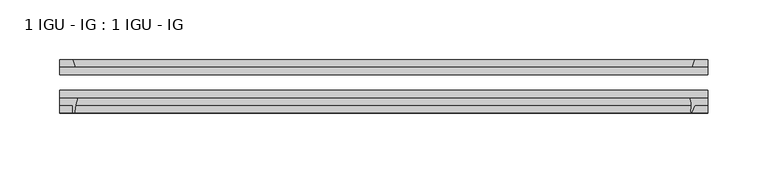
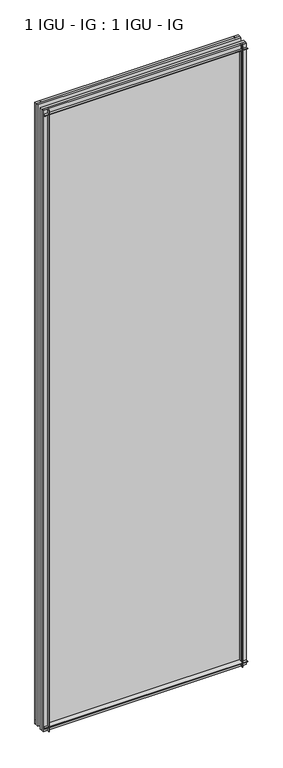
"""IFC4 building model written with IfcOpenShell, lengths in millimetres: plate geometry, 1 IGU - IG : 1 IGU - IG."""

from ifc_helpers import new_model, si_unit, point, frame, frame_2d, origin, place, context, project, spatial, polyline, circle_curve, trimmed, segment, composite_curve, outline, extrude, source, transform, mapped, element, save


def plate_1_igu_ig_1_igu_ig_eb6cffae(model_context):
    return source(origin(), model_context, "Body", "SweptSolid", [
        extrude(outline(polyline([(271.6117304, -31.75), (271.6117304, -38.1), (-271.6117304, -38.1), (-271.6117304, -31.75), (271.6117304, -31.75)])), frame((0.0, 0.0, -11.1125), z_axis=(0.0, 0.0, 1.0), x_axis=(1.0, 0.0, 0.0)), (0.0, 0.0, 1.0), 1755.775),
        extrude(outline(polyline([(-271.6117304, -12.7), (271.6117304, -12.7), (271.6117304, -19.05), (-271.6117304, -19.05), (-271.6117304, -12.7)])), frame((0.0, 0.0, -11.1125), z_axis=(0.0, 0.0, 1.0), x_axis=(1.0, 0.0, 0.0)), (0.0, 0.0, 1.0), 1755.775),
        extrude(outline(polyline([(271.6117304, -12.7), (258.3803519, -12.7), (260.4856289, -6.35), (271.6117304, -6.35), (271.6117304, -12.7)])), frame((0.0, 0.0, -11.1125), z_axis=(0.0, 0.0, 1.0), x_axis=(1.0, 0.0, 0.0)), (0.0, 0.0, 1.0), 1755.775),
        extrude(outline(composite_curve([segment(polyline([(256.3044497, -38.1), (271.6117304, -38.1), (271.6117304, -44.45), (260.4856289, -44.45), (258.0782175, -50.2620054)]), True, "CONTINUOUS"), segment(trimmed(circle_curve(frame_2d((258.0901847, -49.5000993)), 0.762), [point((258.0782175, -50.2620054))], [point((257.339685, -49.3682124))], False, "CARTESIAN"), True, "CONTINUOUS"), segment(trimmed(circle_curve(frame_2d((221.3642085, -43.0461661)), 36.5267461), [point((257.339685, -49.3682124))], [point((257.8307564, -45.1423684))], True, "CARTESIAN"), True, "CONTINUOUS"), segment(trimmed(circle_curve(frame_2d((248.3214542, -44.5957463)), 9.525), [point((257.8307564, -45.1423684))], [point((257.5642335, -42.2942999))], True, "CARTESIAN"), True, "CONTINUOUS"), segment(trimmed(circle_curve(frame_2d((213.0454334, -53.3794536)), 45.8781451), [point((257.5642335, -42.2942999))], [point((256.3044497, -38.1))], True, "CARTESIAN"), True, "CONTINUOUS")], self_intersect=False)), frame((0.0, 0.0, -11.1125), z_axis=(0.0, 0.0, 1.0), x_axis=(1.0, 0.0, 0.0)), (0.0, 0.0, 1.0), 1755.775),
        extrude(outline(composite_curve([segment(polyline([(-271.6117304, -38.1), (-256.3180511, -38.1)]), True, "CONTINUOUS"), segment(trimmed(circle_curve(frame_2d((-213.0590348, -53.3794536)), 45.8781451), [point((-256.3180511, -38.1))], [point((-258.8192876, -50.0925922))], True, "CARTESIAN"), True, "CONTINUOUS"), segment(trimmed(circle_curve(frame_2d((-259.5793295, -50.038)), 0.762), [point((-258.8192876, -50.0925922))], [point((-259.5793295, -50.8))], False, "CARTESIAN"), True, "CONTINUOUS"), segment(polyline([(-259.5793295, -50.8), (-260.4992304, -50.8), (-260.4992304, -44.45), (-271.6117304, -44.45), (-271.6117304, -38.1)]), True, "CONTINUOUS")], self_intersect=False)), frame((0.0, 0.0, -11.1125), z_axis=(0.0, 0.0, 1.0), x_axis=(1.0, 0.0, 0.0)), (0.0, 0.0, 1.0), 1755.775),
        extrude(outline(polyline([(-258.3939533, -12.7), (-271.6117304, -12.7), (-271.6117304, -6.35), (-260.4992304, -6.35), (-258.3939533, -12.7)])), frame((0.0, 0.0, -11.1125), z_axis=(0.0, 0.0, 1.0), x_axis=(1.0, 0.0, 0.0)), (0.0, 0.0, 1.0), 1755.775),
        extrude(outline(polyline([(-12.7, -11.1125), (-12.7, 2.1052771), (-6.35, 0.0), (-6.35, -11.1125), (-12.7, -11.1125)])), frame((-271.6117304, 0.0, 0.0), z_axis=(1.0, 0.0, 0.0), x_axis=(0.0, 1.0, 0.0)), (0.0, 0.0, 1.0), 543.2234607),
        extrude(outline(composite_curve([segment(polyline([(-38.1, 4.1811793), (-38.1, -11.1125), (-44.45, -11.1125), (-44.45, 0.0), (-50.8, 0.0), (-50.8, 0.9199009)]), True, "CONTINUOUS"), segment(trimmed(circle_curve(frame_2d((-50.038, 0.9199009)), 0.762), [point((-50.8, 0.9199009))], [point((-50.0925922, 1.6799428))], False, "CARTESIAN"), True, "CONTINUOUS"), segment(trimmed(circle_curve(frame_2d((-53.3794536, 47.4401956)), 45.8781451), [point((-50.0925922, 1.6799428))], [point((-38.1, 4.1811793))], True, "CARTESIAN"), True, "CONTINUOUS")], self_intersect=False)), frame((-271.6117304, 0.0, 0.0), z_axis=(1.0, 0.0, 0.0), x_axis=(0.0, 1.0, 0.0)), (0.0, 0.0, 1.0), 543.2234607),
        extrude(outline(polyline([(-6.35, 1733.55), (-12.7, 1731.4447229), (-12.7, 1744.6625), (-6.35, 1744.6625), (-6.35, 1733.55)])), frame((-271.6117304, 0.0, 0.0), z_axis=(1.0, 0.0, 0.0), x_axis=(0.0, 1.0, 0.0)), (0.0, 0.0, 1.0), 543.2234607),
        extrude(outline(composite_curve([segment(polyline([(-38.1, 1744.6625), (-38.1, 1729.3688207)]), True, "CONTINUOUS"), segment(trimmed(circle_curve(frame_2d((-53.3794536, 1686.1098044)), 45.8781451), [point((-38.1, 1729.3688207))], [point((-50.0925922, 1731.8700572))], True, "CARTESIAN"), True, "CONTINUOUS"), segment(trimmed(circle_curve(frame_2d((-50.038, 1732.6300991)), 0.762), [point((-50.0925922, 1731.8700572))], [point((-50.8, 1732.6300991))], False, "CARTESIAN"), True, "CONTINUOUS"), segment(polyline([(-50.8, 1732.6300991), (-50.8, 1733.55), (-44.45, 1733.55), (-44.45, 1744.6625), (-38.1, 1744.6625)]), True, "CONTINUOUS")], self_intersect=False)), frame((-271.6117304, 0.0, 0.0), z_axis=(1.0, 0.0, 0.0), x_axis=(0.0, 1.0, 0.0)), (0.0, 0.0, 1.0), 543.2234607),
    ])


if __name__ == "__main__":
    model = new_model("IFC4")
    model_context = context("Model", 3, world=origin())
    ifc_project = project(units=[si_unit("LENGTHUNIT", "METRE", prefix="MILLI")], contexts=[model_context])
    site = spatial("IfcSite", under=ifc_project)
    building = spatial("IfcBuilding", under=site)
    placement = place(None, origin())
    plate_1_igu_ig_1_igu_ig_shape = plate_1_igu_ig_1_igu_ig_eb6cffae(model_context)
    element("IfcPlate", 1, ObjectType="1 IGU - IG : 1 IGU - IG", at=placement, inside=building, context=model_context, shape_type="MappedRepresentation", body=[
        mapped(plate_1_igu_ig_1_igu_ig_shape, transform((0.0, 0.0, 0.0), x_axis=(1.0, 0.0, 0.0), y_axis=(0.0, 1.0, 0.0), z_axis=(0.0, 0.0, 1.0))),
    ])
    save(model, "model.ifc")
